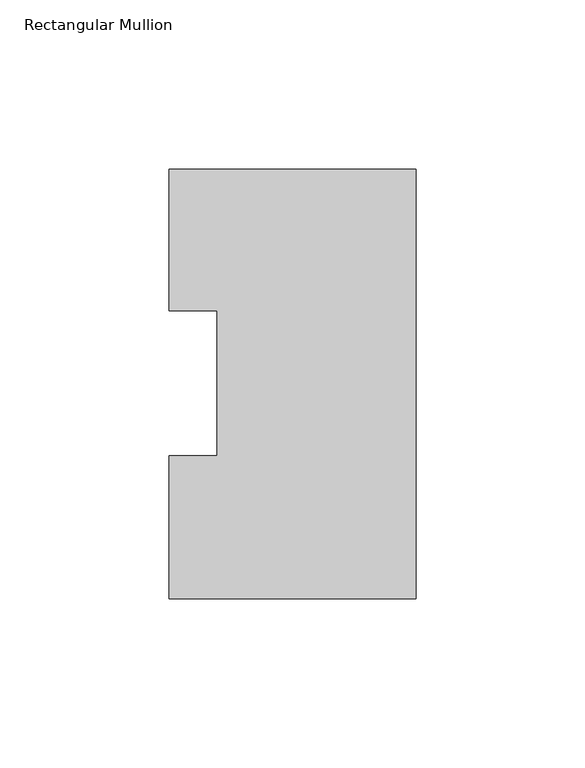
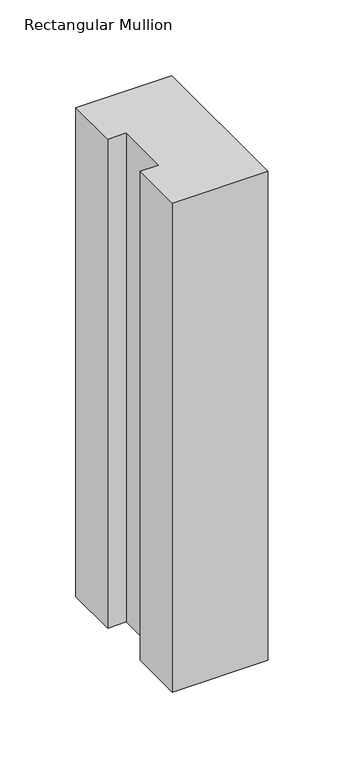
"""IFC4 building model written with IfcOpenShell, lengths in millimetres: member geometry, Rectangular Mullion."""

from ifc_helpers import new_model, si_unit, frame, origin, place, context, project, spatial, polyline, outline, extrude, source, transform, mapped, element, save


def rectangular_mullion_229d310e(model_context):
    return source(origin(), model_context, "Body", "SweptSolid", [
        extrude(outline(polyline([(0.0, 126.9888875), (0.0, -0.0111125), (-73.025, -0.0111125), (-73.025, 42.2798875), (-58.7375, 42.2798875), (-58.7375, 85.1296875), (-73.025, 85.1296875), (-73.025, 126.9888875), (0.0, 126.9888875)])), frame((0.0, 0.0, -393.7), z_axis=(0.0, 0.0, 1.0), x_axis=(1.0, 0.0, 0.0)), (0.0, 0.0, 1.0), 393.7),
    ])


if __name__ == "__main__":
    model = new_model("IFC4")
    model_context = context("Model", 3, world=origin())
    ifc_project = project(units=[si_unit("LENGTHUNIT", "METRE", prefix="MILLI")], contexts=[model_context])
    site = spatial("IfcSite", under=ifc_project)
    building = spatial("IfcBuilding", under=site)
    placement = place(None, origin())
    rectangular_mullion_shape = rectangular_mullion_229d310e(model_context)
    element("IfcMember", 1, ObjectType="Rectangular Mullion", at=placement, inside=building, context=model_context, shape_type="MappedRepresentation", body=[
        mapped(rectangular_mullion_shape, transform((0.0, 0.0, 0.0), x_axis=(1.0, 0.0, 0.0), y_axis=(0.0, 1.0, 0.0), z_axis=(0.0, 0.0, 1.0))),
    ])
    save(model, "model.ifc")
